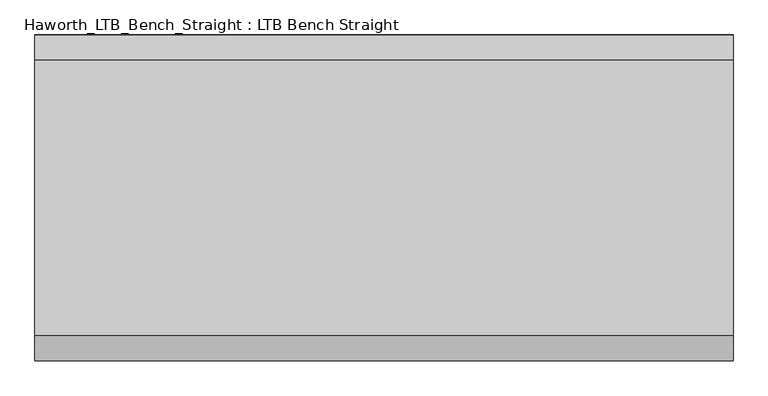
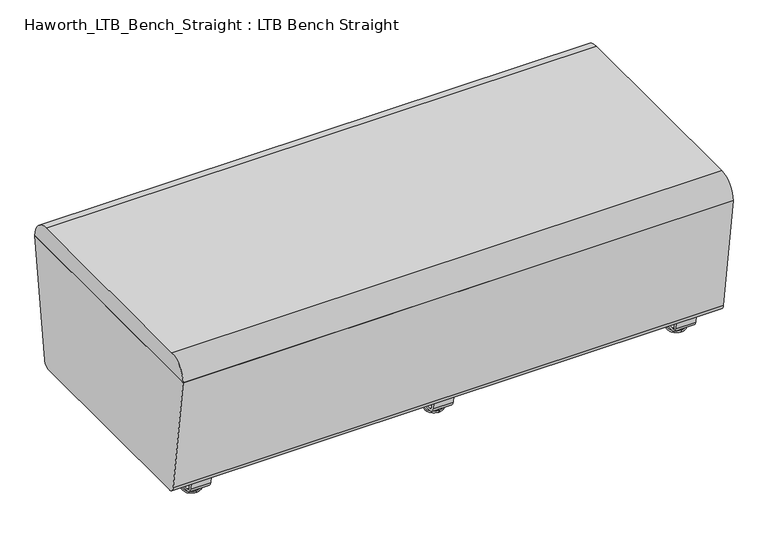
"""IFC4 building model written with IfcOpenShell, lengths in millimetres: furniture geometry, Haworth_LTB_Bench_Straight : LTB Bench Straight."""

from ifc_helpers import new_model, si_unit, point, frame, frame_2d, origin, place, context, project, spatial, polyline, circle_curve, ellipse_curve, trimmed, segment, composite_curve, outline, extrude, source, transform, mapped, element, save
from ifc_brep_helpers import plane_surface, cylinder_surface, revolved_surface, advanced_brep


def haworth_ltb_bench_straight_ltb_bench_straight_952019f1(model_context):
    return source(origin(), model_context, "Body", "SolidModel", [
        extrude(outline(composite_curve([segment(trimmed(circle_curve(frame_2d((264.0390314, 68.9999996)), 18.9999992), [point((282.8541239, 66.3557108))], [point((264.0390314, 50.0000004))], False, "CARTESIAN"), True, "CONTINUOUS"), segment(polyline([(264.0390314, 50.0000004), (-264.0390314, 50.0000004)]), True, "CONTINUOUS"), segment(trimmed(circle_curve(frame_2d((-264.0390314, 68.9999996)), 18.9999992), [point((-264.0390314, 50.0000004))], [point((-282.8541239, 66.3557108))], False, "CARTESIAN"), True, "CONTINUOUS"), segment(polyline([(-282.8541239, 66.3557108), (-326.1820603, 374.65), (326.1820603, 374.65), (282.8541239, 66.3557108)]), True, "CONTINUOUS")], self_intersect=False)), frame((-698.5, 0.0, 0.0), z_axis=(1.0, 0.0, 0.0), x_axis=(0.0, 1.0, 0.0)), (0.0, 0.0, 1.0), 1397.0),
        extrude(outline(composite_curve([segment(trimmed(circle_curve(frame_2d((276.2364582, 375.0527771)), 49.9472261), [point((276.2364583, 425.0000032))], [point((326.1820603, 374.65))], False, "CARTESIAN"), True, "CONTINUOUS"), segment(polyline([(326.1820603, 374.65), (-326.1820603, 374.65)]), True, "CONTINUOUS"), segment(trimmed(circle_curve(frame_2d((-276.2364582, 375.0527771)), 49.9472261), [point((-326.1820603, 374.65))], [point((-276.2364582, 425.0000032))], False, "CARTESIAN"), True, "CONTINUOUS"), segment(polyline([(-276.2364582, 425.0000032), (276.2364583, 425.0000032)]), True, "CONTINUOUS")], self_intersect=False)), frame((-698.5, 0.0, 0.0), z_axis=(1.0, 0.0, 0.0), x_axis=(0.0, 1.0, 0.0)), (0.0, 0.0, 1.0), 1397.0),
        advanced_brep(
        [(0.0, -211.0425052, 7.8133431), (0.0, -227.0355515, 7.8133431), (0.0, -223.8015284, 7.8133431), (0.0, -214.2765284, 7.8133431), (0.0, -197.1001513, 4.0775), (0.0, -240.9779054, 4.0775), (0.0, -197.5107026, 0.0), (0.0, -240.5673542, 0.0), (0.0, -219.0390284, 0.0), (0.0, -214.2765284, 50.0000004), (0.0, -223.8015284, 50.0000004), (0.0, -219.0390284, 50.0000004)],
        [
            (0, 1, circle_curve(frame((0.0, -219.0390284, 7.8133431), z_axis=(0.0, 0.0, 1.0), x_axis=(0.0, -1.0, 0.0)), 7.9965232)),
            (1, 2),
            (2, 3, circle_curve(frame((0.0, -219.0390284, 7.8133431), z_axis=(0.0, 0.0, -1.0), x_axis=(0.0, -1.0, 0.0)), 4.7625)),
            (3, 0),
            (1, 0, circle_curve(frame((0.0, -219.0390284, 7.8133431), z_axis=(0.0, 0.0, 1.0), x_axis=(0.0, -1.0, 0.0)), 7.9965232)),
            (3, 2, circle_curve(frame((0.0, -219.0390284, 7.8133431), z_axis=(0.0, 0.0, -1.0), x_axis=(0.0, -1.0, 0.0)), 4.7625)),
            (4, 5, circle_curve(frame((0.0, -219.0390284, 4.0775), z_axis=(0.0, 0.0, 1.0), x_axis=(0.0, -1.0, 0.0)), 21.9388771)),
            (5, 1),
            (0, 4),
            (5, 4, circle_curve(frame((0.0, -219.0390284, 4.0775), z_axis=(0.0, 0.0, 1.0), x_axis=(0.0, -1.0, 0.0)), 21.9388771)),
            (6, 7, circle_curve(frame((0.0, -219.0390284, 0.0), z_axis=(0.0, 0.0, 1.0), x_axis=(0.0, -1.0, 0.0)), 21.5283258)),
            (7, 5, circle_curve(frame((0.0, -240.4405822, 2.0721829), z_axis=(-1.0, 0.0, 0.0), x_axis=(0.0, 1.0, 0.0)), 2.0760571)),
            (4, 6, circle_curve(frame((0.0, -197.6374745, 2.0721829), z_axis=(-1.0, 0.0, 0.0), x_axis=(0.0, -1.0, 0.0)), 2.0760571)),
            (7, 6, circle_curve(frame((0.0, -219.0390284, 0.0), z_axis=(0.0, 0.0, 1.0), x_axis=(0.0, -1.0, 0.0)), 21.5283258)),
            (8, 7),
            (6, 8),
            (9, 10, circle_curve(frame((0.0, -219.0390284, 50.0000004), z_axis=(0.0, 0.0, 1.0), x_axis=(0.0, -1.0, 0.0)), 4.7625)),
            (10, 11),
            (11, 9),
            (10, 9, circle_curve(frame((0.0, -219.0390284, 50.0000004), z_axis=(0.0, 0.0, 1.0), x_axis=(0.0, -1.0, 0.0)), 4.7625)),
            (2, 10),
            (9, 3),
        ],
        [
            plane_surface(frame((0.0, -219.0390284, 7.8133431), z_axis=(0.0, 0.0, 1.0), x_axis=(0.0, -1.0, 0.0))),
            revolved_surface(polyline([(0.0, -227.0355515, 7.8133431), (0.0, -240.9779054, 4.0775)]), (0.0, -219.0390284, 0.0), (0.0, 0.0, -1.0)),
            revolved_surface(trimmed(ellipse_curve(frame((0.0, -240.4405822, 2.0721829), z_axis=(1.0, 0.0, 0.0), x_axis=(0.0, 1.0, 0.0)), 2.0760571, 2.0760571), [point((0.0, -240.9779054, 4.0775))], [point((0.0, -240.5673542, 0.0))], True, "CARTESIAN"), (0.0, -219.0390284, 0.0), (0.0, 0.0, -1.0)),
            plane_surface(frame((0.0, -219.0390284, 0.0), z_axis=(0.0, 0.0, -1.0), x_axis=(0.0, -1.0, 0.0))),
            plane_surface(frame((0.0, -219.0390284, 50.0000004), z_axis=(0.0, 0.0, 1.0), x_axis=(0.0, -1.0, 0.0))),
            cylinder_surface(frame((0.0, -219.0390284, 0.0), z_axis=(0.0, 0.0, -1.0), x_axis=(0.0, -1.0, 0.0)), 4.7625),
        ],
        [
            (0, [[1, 2, 3, 4]]),
            (0, [[5, -4, 6, -2]]),
            (1, [[7, 8, -1, 9]]),
            (1, [[10, -9, -5, -8]]),
            (2, [[11, 12, -7, 13]]),
            (2, [[14, -13, -10, -12]]),
            (3, [[15, -11, 16]]),
            (3, [[-16, -14, -15]]),
            (4, [[17, 18, 19]]),
            (4, [[20, -19, -18]]),
            (5, [[-3, 21, -17, 22]]),
            (5, [[-6, -22, -20, -21]]),
        ],
    ),
        advanced_brep(
        [(0.0, 214.2765284, 7.8133431), (0.0, 223.8015284, 7.8133431), (0.0, 227.0355515, 7.8133431), (0.0, 211.0425052, 7.8133431), (0.0, 240.9779054, 4.0775), (0.0, 197.1001513, 4.0775), (0.0, 240.5673542, 0.0), (0.0, 197.5107026, 0.0), (0.0, 219.0390284, 0.0), (0.0, 219.0390284, 50.0000004), (0.0, 223.8015284, 50.0000004), (0.0, 214.2765284, 50.0000004)],
        [
            (0, 1, circle_curve(frame((0.0, 219.0390284, 7.8133431), z_axis=(0.0, 0.0, -1.0), x_axis=(0.0, 1.0, 0.0)), 4.7625)),
            (1, 2),
            (2, 3, circle_curve(frame((0.0, 219.0390284, 7.8133431), z_axis=(0.0, 0.0, 1.0), x_axis=(0.0, 1.0, 0.0)), 7.9965232)),
            (3, 0),
            (1, 0, circle_curve(frame((0.0, 219.0390284, 7.8133431), z_axis=(0.0, 0.0, -1.0), x_axis=(0.0, 1.0, 0.0)), 4.7625)),
            (3, 2, circle_curve(frame((0.0, 219.0390284, 7.8133431), z_axis=(0.0, 0.0, 1.0), x_axis=(0.0, 1.0, 0.0)), 7.9965232)),
            (2, 4),
            (4, 5, circle_curve(frame((0.0, 219.0390284, 4.0775), z_axis=(0.0, 0.0, 1.0), x_axis=(0.0, 1.0, 0.0)), 21.9388771)),
            (5, 3),
            (5, 4, circle_curve(frame((0.0, 219.0390284, 4.0775), z_axis=(0.0, 0.0, 1.0), x_axis=(0.0, 1.0, 0.0)), 21.9388771)),
            (4, 6, circle_curve(frame((0.0, 240.4405822, 2.0721829), z_axis=(-1.0, 0.0, 0.0), x_axis=(0.0, -1.0, 0.0)), 2.0760571)),
            (6, 7, circle_curve(frame((0.0, 219.0390284, 0.0), z_axis=(0.0, 0.0, 1.0), x_axis=(0.0, 1.0, 0.0)), 21.5283258)),
            (7, 5, circle_curve(frame((0.0, 197.6374745, 2.0721829), z_axis=(-1.0, 0.0, 0.0), x_axis=(0.0, 1.0, 0.0)), 2.0760571)),
            (7, 6, circle_curve(frame((0.0, 219.0390284, 0.0), z_axis=(0.0, 0.0, 1.0), x_axis=(0.0, 1.0, 0.0)), 21.5283258)),
            (6, 8),
            (8, 7),
            (9, 10),
            (10, 11, circle_curve(frame((0.0, 219.0390284, 50.0000004), z_axis=(0.0, 0.0, 1.0), x_axis=(0.0, 1.0, 0.0)), 4.7625)),
            (11, 9),
            (11, 10, circle_curve(frame((0.0, 219.0390284, 50.0000004), z_axis=(0.0, 0.0, 1.0), x_axis=(0.0, 1.0, 0.0)), 4.7625)),
            (10, 1),
            (0, 11),
        ],
        [
            plane_surface(frame((0.0, 219.0390284, 7.8133431), z_axis=(0.0, 0.0, 1.0), x_axis=(0.0, 1.0, 0.0))),
            revolved_surface(polyline([(0.0, 240.9779054, 4.0775), (0.0, 227.0355515, 7.8133431)]), (0.0, 219.0390284, 0.0), (0.0, 0.0, 1.0)),
            revolved_surface(trimmed(ellipse_curve(frame((0.0, 240.4405822, 2.0721829), z_axis=(1.0, 0.0, 0.0), x_axis=(0.0, -1.0, 0.0)), 2.0760571, 2.0760571), [point((0.0, 240.5673542, 0.0))], [point((0.0, 240.9779054, 4.0775))], True, "CARTESIAN"), (0.0, 219.0390284, 0.0), (0.0, 0.0, 1.0)),
            plane_surface(frame((0.0, 219.0390284, 0.0), z_axis=(0.0, 0.0, -1.0), x_axis=(0.0, 1.0, 0.0))),
            plane_surface(frame((0.0, 219.0390284, 50.0000004), z_axis=(0.0, 0.0, 1.0), x_axis=(0.0, 1.0, 0.0))),
            cylinder_surface(frame((0.0, 219.0390284, 0.0), z_axis=(0.0, 0.0, 1.0), x_axis=(0.0, 1.0, 0.0)), 4.7625),
        ],
        [
            (0, [[1, 2, 3, 4]]),
            (0, [[5, -4, 6, -2]]),
            (1, [[-3, 7, 8, 9]]),
            (1, [[-6, -9, 10, -7]]),
            (2, [[-8, 11, 12, 13]]),
            (2, [[-10, -13, 14, -11]]),
            (3, [[-12, 15, 16]]),
            (3, [[-14, -16, -15]]),
            (4, [[17, 18, 19]]),
            (4, [[-19, 20, -17]]),
            (5, [[-18, 21, -1, 22]]),
            (5, [[-20, -22, -5, -21]]),
        ],
    ),
        extrude(outline(composite_curve([segment(polyline([(264.8158944, 62.9950557), (259.8853496, 27.9124042)]), True, "CONTINUOUS"), segment(trimmed(circle_curve(frame_2d((245.0313276, 30.0000007)), 15.000001), [point((259.8853496, 27.9124042))], [point((245.0313276, 14.9999997))], False, "CARTESIAN"), True, "CONTINUOUS"), segment(polyline([(245.0313276, 14.9999997), (-245.0313276, 14.9999997)]), True, "CONTINUOUS"), segment(trimmed(circle_curve(frame_2d((-245.0313276, 30.0000007)), 15.000001), [point((-245.0313276, 14.9999997))], [point((-259.8853496, 27.9124042))], False, "CARTESIAN"), True, "CONTINUOUS"), segment(polyline([(-259.8853496, 27.9124042), (-264.8158944, 62.9950557), (-259.1812615, 63.7869505), (-254.2507241, 28.7043023)]), True, "CONTINUOUS"), segment(trimmed(circle_curve(frame_2d((-245.0313262, 30.0000023)), 9.310002), [point((-254.2507241, 28.7043023))], [point((-245.0313262, 20.6900003))], True, "CARTESIAN"), True, "CONTINUOUS"), segment(polyline([(-245.0313262, 20.6900003), (245.0313262, 20.6900003)]), True, "CONTINUOUS"), segment(trimmed(circle_curve(frame_2d((245.0313262, 30.0000023)), 9.310002), [point((245.0313262, 20.6900003))], [point((254.2507241, 28.7043023))], True, "CARTESIAN"), True, "CONTINUOUS"), segment(polyline([(254.2507241, 28.7043023), (259.1812615, 63.7869505), (264.8158944, 62.9950557)]), True, "CONTINUOUS")], self_intersect=False)), frame((-25.4, 0.0, 0.0), z_axis=(1.0, 0.0, 0.0), x_axis=(0.0, 1.0, 0.0)), (0.0, 0.0, 1.0), 50.8),
        advanced_brep(
        [(616.0045358, -211.0425052, 7.8133431), (616.0045358, -227.0355515, 7.8133431), (616.0045358, -223.8015284, 7.8133431), (616.0045358, -214.2765284, 7.8133431), (616.0045358, -197.1001513, 4.0775), (616.0045358, -240.9779054, 4.0775), (616.0045358, -197.5107026, 0.0), (616.0045358, -240.5673542, 0.0), (616.0045358, -219.0390284, 0.0), (616.0045358, -214.2765284, 50.0000004), (616.0045358, -223.8015284, 50.0000004), (616.0045358, -219.0390284, 50.0000004)],
        [
            (0, 1, circle_curve(frame((616.0045358, -219.0390284, 7.8133431), z_axis=(0.0, 0.0, 1.0), x_axis=(0.0, -1.0, 0.0)), 7.9965232)),
            (1, 2),
            (2, 3, circle_curve(frame((616.0045358, -219.0390284, 7.8133431), z_axis=(0.0, 0.0, -1.0), x_axis=(0.0, -1.0, 0.0)), 4.7625)),
            (3, 0),
            (1, 0, circle_curve(frame((616.0045358, -219.0390284, 7.8133431), z_axis=(0.0, 0.0, 1.0), x_axis=(0.0, -1.0, 0.0)), 7.9965232)),
            (3, 2, circle_curve(frame((616.0045358, -219.0390284, 7.8133431), z_axis=(0.0, 0.0, -1.0), x_axis=(0.0, -1.0, 0.0)), 4.7625)),
            (4, 5, circle_curve(frame((616.0045358, -219.0390284, 4.0775), z_axis=(0.0, 0.0, 1.0), x_axis=(0.0, -1.0, 0.0)), 21.9388771)),
            (5, 1),
            (0, 4),
            (5, 4, circle_curve(frame((616.0045358, -219.0390284, 4.0775), z_axis=(0.0, 0.0, 1.0), x_axis=(0.0, -1.0, 0.0)), 21.9388771)),
            (6, 7, circle_curve(frame((616.0045358, -219.0390284, 0.0), z_axis=(0.0, 0.0, 1.0), x_axis=(0.0, -1.0, 0.0)), 21.5283258)),
            (7, 5, circle_curve(frame((616.0045358, -240.4405822, 2.0721829), z_axis=(-1.0, 0.0, 0.0), x_axis=(0.0, 1.0, 0.0)), 2.0760571)),
            (4, 6, circle_curve(frame((616.0045358, -197.6374745, 2.0721829), z_axis=(-1.0, 0.0, 0.0), x_axis=(0.0, -1.0, 0.0)), 2.0760571)),
            (7, 6, circle_curve(frame((616.0045358, -219.0390284, 0.0), z_axis=(0.0, 0.0, 1.0), x_axis=(0.0, -1.0, 0.0)), 21.5283258)),
            (8, 7),
            (6, 8),
            (9, 10, circle_curve(frame((616.0045358, -219.0390284, 50.0000004), z_axis=(0.0, 0.0, 1.0), x_axis=(0.0, -1.0, 0.0)), 4.7625)),
            (10, 11),
            (11, 9),
            (10, 9, circle_curve(frame((616.0045358, -219.0390284, 50.0000004), z_axis=(0.0, 0.0, 1.0), x_axis=(0.0, -1.0, 0.0)), 4.7625)),
            (2, 10),
            (9, 3),
        ],
        [
            plane_surface(frame((616.0045358, -219.0390284, 7.8133431), z_axis=(0.0, 0.0, 1.0), x_axis=(0.0, -1.0, 0.0))),
            revolved_surface(polyline([(616.0045358, -227.0355515, 7.8133431), (616.0045358, -240.9779054, 4.0775)]), (616.0045358, -219.0390284, 0.0), (0.0, 0.0, -1.0)),
            revolved_surface(trimmed(ellipse_curve(frame((616.0045358, -240.4405822, 2.0721829), z_axis=(1.0, 0.0, 0.0), x_axis=(0.0, 1.0, 0.0)), 2.0760571, 2.0760571), [point((616.0045358, -240.9779054, 4.0775))], [point((616.0045358, -240.5673542, 0.0))], True, "CARTESIAN"), (616.0045358, -219.0390284, 0.0), (0.0, 0.0, -1.0)),
            plane_surface(frame((616.0045358, -219.0390284, 0.0), z_axis=(0.0, 0.0, -1.0), x_axis=(0.0, -1.0, 0.0))),
            plane_surface(frame((616.0045358, -219.0390284, 50.0000004), z_axis=(0.0, 0.0, 1.0), x_axis=(0.0, -1.0, 0.0))),
            cylinder_surface(frame((616.0045358, -219.0390284, 0.0), z_axis=(0.0, 0.0, -1.0), x_axis=(0.0, -1.0, 0.0)), 4.7625),
        ],
        [
            (0, [[1, 2, 3, 4]]),
            (0, [[5, -4, 6, -2]]),
            (1, [[7, 8, -1, 9]]),
            (1, [[10, -9, -5, -8]]),
            (2, [[11, 12, -7, 13]]),
            (2, [[14, -13, -10, -12]]),
            (3, [[15, -11, 16]]),
            (3, [[-16, -14, -15]]),
            (4, [[17, 18, 19]]),
            (4, [[20, -19, -18]]),
            (5, [[-3, 21, -17, 22]]),
            (5, [[-6, -22, -20, -21]]),
        ],
    ),
        advanced_brep(
        [(616.0045358, 214.2765284, 7.8133431), (616.0045358, 223.8015284, 7.8133431), (616.0045358, 227.0355515, 7.8133431), (616.0045358, 211.0425052, 7.8133431), (616.0045358, 240.9779054, 4.0775), (616.0045358, 197.1001513, 4.0775), (616.0045358, 240.5673542, 0.0), (616.0045358, 197.5107026, 0.0), (616.0045358, 219.0390284, 0.0), (616.0045358, 219.0390284, 50.0000004), (616.0045358, 223.8015284, 50.0000004), (616.0045358, 214.2765284, 50.0000004)],
        [
            (0, 1, circle_curve(frame((616.0045358, 219.0390284, 7.8133431), z_axis=(0.0, 0.0, -1.0), x_axis=(0.0, 1.0, 0.0)), 4.7625)),
            (1, 2),
            (2, 3, circle_curve(frame((616.0045358, 219.0390284, 7.8133431), z_axis=(0.0, 0.0, 1.0), x_axis=(0.0, 1.0, 0.0)), 7.9965232)),
            (3, 0),
            (1, 0, circle_curve(frame((616.0045358, 219.0390284, 7.8133431), z_axis=(0.0, 0.0, -1.0), x_axis=(0.0, 1.0, 0.0)), 4.7625)),
            (3, 2, circle_curve(frame((616.0045358, 219.0390284, 7.8133431), z_axis=(0.0, 0.0, 1.0), x_axis=(0.0, 1.0, 0.0)), 7.9965232)),
            (2, 4),
            (4, 5, circle_curve(frame((616.0045358, 219.0390284, 4.0775), z_axis=(0.0, 0.0, 1.0), x_axis=(0.0, 1.0, 0.0)), 21.9388771)),
            (5, 3),
            (5, 4, circle_curve(frame((616.0045358, 219.0390284, 4.0775), z_axis=(0.0, 0.0, 1.0), x_axis=(0.0, 1.0, 0.0)), 21.9388771)),
            (4, 6, circle_curve(frame((616.0045358, 240.4405822, 2.0721829), z_axis=(-1.0, 0.0, 0.0), x_axis=(0.0, -1.0, 0.0)), 2.0760571)),
            (6, 7, circle_curve(frame((616.0045358, 219.0390284, 0.0), z_axis=(0.0, 0.0, 1.0), x_axis=(0.0, 1.0, 0.0)), 21.5283258)),
            (7, 5, circle_curve(frame((616.0045358, 197.6374745, 2.0721829), z_axis=(-1.0, 0.0, 0.0), x_axis=(0.0, 1.0, 0.0)), 2.0760571)),
            (7, 6, circle_curve(frame((616.0045358, 219.0390284, 0.0), z_axis=(0.0, 0.0, 1.0), x_axis=(0.0, 1.0, 0.0)), 21.5283258)),
            (6, 8),
            (8, 7),
            (9, 10),
            (10, 11, circle_curve(frame((616.0045358, 219.0390284, 50.0000004), z_axis=(0.0, 0.0, 1.0), x_axis=(0.0, 1.0, 0.0)), 4.7625)),
            (11, 9),
            (11, 10, circle_curve(frame((616.0045358, 219.0390284, 50.0000004), z_axis=(0.0, 0.0, 1.0), x_axis=(0.0, 1.0, 0.0)), 4.7625)),
            (10, 1),
            (0, 11),
        ],
        [
            plane_surface(frame((616.0045358, 219.0390284, 7.8133431), z_axis=(0.0, 0.0, 1.0), x_axis=(0.0, 1.0, 0.0))),
            revolved_surface(polyline([(616.0045358, 240.9779054, 4.0775), (616.0045358, 227.0355515, 7.8133431)]), (616.0045358, 219.0390284, 0.0), (0.0, 0.0, 1.0)),
            revolved_surface(trimmed(ellipse_curve(frame((616.0045358, 240.4405822, 2.0721829), z_axis=(1.0, 0.0, 0.0), x_axis=(0.0, -1.0, 0.0)), 2.0760571, 2.0760571), [point((616.0045358, 240.5673542, 0.0))], [point((616.0045358, 240.9779054, 4.0775))], True, "CARTESIAN"), (616.0045358, 219.0390284, 0.0), (0.0, 0.0, 1.0)),
            plane_surface(frame((616.0045358, 219.0390284, 0.0), z_axis=(0.0, 0.0, -1.0), x_axis=(0.0, 1.0, 0.0))),
            plane_surface(frame((616.0045358, 219.0390284, 50.0000004), z_axis=(0.0, 0.0, 1.0), x_axis=(0.0, 1.0, 0.0))),
            cylinder_surface(frame((616.0045358, 219.0390284, 0.0), z_axis=(0.0, 0.0, 1.0), x_axis=(0.0, 1.0, 0.0)), 4.7625),
        ],
        [
            (0, [[1, 2, 3, 4]]),
            (0, [[5, -4, 6, -2]]),
            (1, [[-3, 7, 8, 9]]),
            (1, [[-6, -9, 10, -7]]),
            (2, [[-8, 11, 12, 13]]),
            (2, [[-10, -13, 14, -11]]),
            (3, [[-12, 15, 16]]),
            (3, [[-14, -16, -15]]),
            (4, [[17, 18, 19]]),
            (4, [[-19, 20, -17]]),
            (5, [[-18, 21, -1, 22]]),
            (5, [[-20, -22, -5, -21]]),
        ],
    ),
        extrude(outline(composite_curve([segment(polyline([(264.8158944, 62.9950557), (259.8853496, 27.9124042)]), True, "CONTINUOUS"), segment(trimmed(circle_curve(frame_2d((245.0313276, 30.0000007)), 15.000001), [point((259.8853496, 27.9124042))], [point((245.0313276, 14.9999997))], False, "CARTESIAN"), True, "CONTINUOUS"), segment(polyline([(245.0313276, 14.9999997), (-245.0313276, 14.9999997)]), True, "CONTINUOUS"), segment(trimmed(circle_curve(frame_2d((-245.0313276, 30.0000007)), 15.000001), [point((-245.0313276, 14.9999997))], [point((-259.8853496, 27.9124042))], False, "CARTESIAN"), True, "CONTINUOUS"), segment(polyline([(-259.8853496, 27.9124042), (-264.8158944, 62.9950557), (-259.1812615, 63.7869505), (-254.2507241, 28.7043023)]), True, "CONTINUOUS"), segment(trimmed(circle_curve(frame_2d((-245.0313262, 30.0000023)), 9.310002), [point((-254.2507241, 28.7043023))], [point((-245.0313262, 20.6900003))], True, "CARTESIAN"), True, "CONTINUOUS"), segment(polyline([(-245.0313262, 20.6900003), (245.0313262, 20.6900003)]), True, "CONTINUOUS"), segment(trimmed(circle_curve(frame_2d((245.0313262, 30.0000023)), 9.310002), [point((245.0313262, 20.6900003))], [point((254.2507241, 28.7043023))], True, "CARTESIAN"), True, "CONTINUOUS"), segment(polyline([(254.2507241, 28.7043023), (259.1812615, 63.7869505), (264.8158944, 62.9950557)]), True, "CONTINUOUS")], self_intersect=False)), frame((590.6045358, 0.0, 0.0), z_axis=(1.0, 0.0, 0.0), x_axis=(0.0, 1.0, 0.0)), (0.0, 0.0, 1.0), 50.8),
        advanced_brep(
        [(-616.0045358, -214.2765284, 7.8133431), (-616.0045358, -223.8015284, 7.8133431), (-616.0045358, -227.0355515, 7.8133431), (-616.0045358, -211.0425052, 7.8133431), (-616.0045358, -240.9779054, 4.0775), (-616.0045358, -197.1001513, 4.0775), (-616.0045358, -240.5673542, 0.0), (-616.0045358, -197.5107026, 0.0), (-616.0045358, -219.0390284, 0.0), (-616.0045358, -219.0390284, 50.0000004), (-616.0045358, -223.8015284, 50.0000004), (-616.0045358, -214.2765284, 50.0000004)],
        [
            (0, 1, circle_curve(frame((-616.0045358, -219.0390284, 7.8133431), z_axis=(0.0, 0.0, -1.0), x_axis=(0.0, -1.0, 0.0)), 4.7625)),
            (1, 2),
            (2, 3, circle_curve(frame((-616.0045358, -219.0390284, 7.8133431), z_axis=(0.0, 0.0, 1.0), x_axis=(0.0, -1.0, 0.0)), 7.9965232)),
            (3, 0),
            (1, 0, circle_curve(frame((-616.0045358, -219.0390284, 7.8133431), z_axis=(0.0, 0.0, -1.0), x_axis=(0.0, -1.0, 0.0)), 4.7625)),
            (3, 2, circle_curve(frame((-616.0045358, -219.0390284, 7.8133431), z_axis=(0.0, 0.0, 1.0), x_axis=(0.0, -1.0, 0.0)), 7.9965232)),
            (2, 4),
            (4, 5, circle_curve(frame((-616.0045358, -219.0390284, 4.0775), z_axis=(0.0, 0.0, 1.0), x_axis=(0.0, -1.0, 0.0)), 21.9388771)),
            (5, 3),
            (5, 4, circle_curve(frame((-616.0045358, -219.0390284, 4.0775), z_axis=(0.0, 0.0, 1.0), x_axis=(0.0, -1.0, 0.0)), 21.9388771)),
            (4, 6, circle_curve(frame((-616.0045358, -240.4405822, 2.0721829), z_axis=(1.0, 0.0, 0.0), x_axis=(0.0, 1.0, 0.0)), 2.0760571)),
            (6, 7, circle_curve(frame((-616.0045358, -219.0390284, 0.0), z_axis=(0.0, 0.0, 1.0), x_axis=(0.0, -1.0, 0.0)), 21.5283258)),
            (7, 5, circle_curve(frame((-616.0045358, -197.6374745, 2.0721829), z_axis=(1.0, 0.0, 0.0), x_axis=(0.0, -1.0, 0.0)), 2.0760571)),
            (7, 6, circle_curve(frame((-616.0045358, -219.0390284, 0.0), z_axis=(0.0, 0.0, 1.0), x_axis=(0.0, -1.0, 0.0)), 21.5283258)),
            (6, 8),
            (8, 7),
            (9, 10),
            (10, 11, circle_curve(frame((-616.0045358, -219.0390284, 50.0000004), z_axis=(0.0, 0.0, 1.0), x_axis=(0.0, -1.0, 0.0)), 4.7625)),
            (11, 9),
            (11, 10, circle_curve(frame((-616.0045358, -219.0390284, 50.0000004), z_axis=(0.0, 0.0, 1.0), x_axis=(0.0, -1.0, 0.0)), 4.7625)),
            (10, 1),
            (0, 11),
        ],
        [
            plane_surface(frame((-616.0045358, -219.0390284, 7.8133431), z_axis=(0.0, 0.0, 1.0), x_axis=(0.0, -1.0, 0.0))),
            revolved_surface(polyline([(-616.0045358, -240.9779054, 4.0775), (-616.0045358, -227.0355515, 7.8133431)]), (-616.0045358, -219.0390284, 0.0), (0.0, 0.0, 1.0)),
            revolved_surface(trimmed(ellipse_curve(frame((-616.0045358, -240.4405822, 2.0721829), z_axis=(-1.0, 0.0, 0.0), x_axis=(0.0, 1.0, 0.0)), 2.0760571, 2.0760571), [point((-616.0045358, -240.5673542, 0.0))], [point((-616.0045358, -240.9779054, 4.0775))], True, "CARTESIAN"), (-616.0045358, -219.0390284, 0.0), (0.0, 0.0, 1.0)),
            plane_surface(frame((-616.0045358, -219.0390284, 0.0), z_axis=(0.0, 0.0, -1.0), x_axis=(0.0, -1.0, 0.0))),
            plane_surface(frame((-616.0045358, -219.0390284, 50.0000004), z_axis=(0.0, 0.0, 1.0), x_axis=(0.0, -1.0, 0.0))),
            cylinder_surface(frame((-616.0045358, -219.0390284, 0.0), z_axis=(0.0, 0.0, 1.0), x_axis=(0.0, -1.0, 0.0)), 4.7625),
        ],
        [
            (0, [[1, 2, 3, 4]]),
            (0, [[5, -4, 6, -2]]),
            (1, [[-3, 7, 8, 9]]),
            (1, [[-6, -9, 10, -7]]),
            (2, [[-8, 11, 12, 13]]),
            (2, [[-10, -13, 14, -11]]),
            (3, [[-12, 15, 16]]),
            (3, [[-14, -16, -15]]),
            (4, [[17, 18, 19]]),
            (4, [[-19, 20, -17]]),
            (5, [[-18, 21, -1, 22]]),
            (5, [[-20, -22, -5, -21]]),
        ],
    ),
        advanced_brep(
        [(-616.0045358, 211.0425052, 7.8133431), (-616.0045358, 227.0355515, 7.8133431), (-616.0045358, 223.8015284, 7.8133431), (-616.0045358, 214.2765284, 7.8133431), (-616.0045358, 197.1001513, 4.0775), (-616.0045358, 240.9779054, 4.0775), (-616.0045358, 197.5107026, 0.0), (-616.0045358, 240.5673542, 0.0), (-616.0045358, 219.0390284, 0.0), (-616.0045358, 214.2765284, 50.0000004), (-616.0045358, 223.8015284, 50.0000004), (-616.0045358, 219.0390284, 50.0000004)],
        [
            (0, 1, circle_curve(frame((-616.0045358, 219.0390284, 7.8133431), z_axis=(0.0, 0.0, 1.0), x_axis=(0.0, 1.0, 0.0)), 7.9965232)),
            (1, 2),
            (2, 3, circle_curve(frame((-616.0045358, 219.0390284, 7.8133431), z_axis=(0.0, 0.0, -1.0), x_axis=(0.0, 1.0, 0.0)), 4.7625)),
            (3, 0),
            (1, 0, circle_curve(frame((-616.0045358, 219.0390284, 7.8133431), z_axis=(0.0, 0.0, 1.0), x_axis=(0.0, 1.0, 0.0)), 7.9965232)),
            (3, 2, circle_curve(frame((-616.0045358, 219.0390284, 7.8133431), z_axis=(0.0, 0.0, -1.0), x_axis=(0.0, 1.0, 0.0)), 4.7625)),
            (4, 5, circle_curve(frame((-616.0045358, 219.0390284, 4.0775), z_axis=(0.0, 0.0, 1.0), x_axis=(0.0, 1.0, 0.0)), 21.9388771)),
            (5, 1),
            (0, 4),
            (5, 4, circle_curve(frame((-616.0045358, 219.0390284, 4.0775), z_axis=(0.0, 0.0, 1.0), x_axis=(0.0, 1.0, 0.0)), 21.9388771)),
            (6, 7, circle_curve(frame((-616.0045358, 219.0390284, 0.0), z_axis=(0.0, 0.0, 1.0), x_axis=(0.0, 1.0, 0.0)), 21.5283258)),
            (7, 5, circle_curve(frame((-616.0045358, 240.4405822, 2.0721829), z_axis=(1.0, 0.0, 0.0), x_axis=(0.0, -1.0, 0.0)), 2.0760571)),
            (4, 6, circle_curve(frame((-616.0045358, 197.6374745, 2.0721829), z_axis=(1.0, 0.0, 0.0), x_axis=(0.0, 1.0, 0.0)), 2.0760571)),
            (7, 6, circle_curve(frame((-616.0045358, 219.0390284, 0.0), z_axis=(0.0, 0.0, 1.0), x_axis=(0.0, 1.0, 0.0)), 21.5283258)),
            (8, 7),
            (6, 8),
            (9, 10, circle_curve(frame((-616.0045358, 219.0390284, 50.0000004), z_axis=(0.0, 0.0, 1.0), x_axis=(0.0, 1.0, 0.0)), 4.7625)),
            (10, 11),
            (11, 9),
            (10, 9, circle_curve(frame((-616.0045358, 219.0390284, 50.0000004), z_axis=(0.0, 0.0, 1.0), x_axis=(0.0, 1.0, 0.0)), 4.7625)),
            (2, 10),
            (9, 3),
        ],
        [
            plane_surface(frame((-616.0045358, 219.0390284, 7.8133431), z_axis=(0.0, 0.0, 1.0), x_axis=(0.0, 1.0, 0.0))),
            revolved_surface(polyline([(-616.0045358, 227.0355515, 7.8133431), (-616.0045358, 240.9779054, 4.0775)]), (-616.0045358, 219.0390284, 0.0), (0.0, 0.0, -1.0)),
            revolved_surface(trimmed(ellipse_curve(frame((-616.0045358, 240.4405822, 2.0721829), z_axis=(-1.0, 0.0, 0.0), x_axis=(0.0, -1.0, 0.0)), 2.0760571, 2.0760571), [point((-616.0045358, 240.9779054, 4.0775))], [point((-616.0045358, 240.5673542, 0.0))], True, "CARTESIAN"), (-616.0045358, 219.0390284, 0.0), (0.0, 0.0, -1.0)),
            plane_surface(frame((-616.0045358, 219.0390284, 0.0), z_axis=(0.0, 0.0, -1.0), x_axis=(0.0, 1.0, 0.0))),
            plane_surface(frame((-616.0045358, 219.0390284, 50.0000004), z_axis=(0.0, 0.0, 1.0), x_axis=(0.0, 1.0, 0.0))),
            cylinder_surface(frame((-616.0045358, 219.0390284, 0.0), z_axis=(0.0, 0.0, -1.0), x_axis=(0.0, 1.0, 0.0)), 4.7625),
        ],
        [
            (0, [[1, 2, 3, 4]]),
            (0, [[5, -4, 6, -2]]),
            (1, [[7, 8, -1, 9]]),
            (1, [[10, -9, -5, -8]]),
            (2, [[11, 12, -7, 13]]),
            (2, [[14, -13, -10, -12]]),
            (3, [[15, -11, 16]]),
            (3, [[-16, -14, -15]]),
            (4, [[17, 18, 19]]),
            (4, [[20, -19, -18]]),
            (5, [[-3, 21, -17, 22]]),
            (5, [[-6, -22, -20, -21]]),
        ],
    ),
        extrude(outline(composite_curve([segment(polyline([(264.8158944, 62.9950557), (259.8853496, 27.9124042)]), True, "CONTINUOUS"), segment(trimmed(circle_curve(frame_2d((245.0313276, 30.0000007)), 15.000001), [point((259.8853496, 27.9124042))], [point((245.0313276, 14.9999997))], False, "CARTESIAN"), True, "CONTINUOUS"), segment(polyline([(245.0313276, 14.9999997), (-245.0313276, 14.9999997)]), True, "CONTINUOUS"), segment(trimmed(circle_curve(frame_2d((-245.0313276, 30.0000007)), 15.000001), [point((-245.0313276, 14.9999997))], [point((-259.8853496, 27.9124042))], False, "CARTESIAN"), True, "CONTINUOUS"), segment(polyline([(-259.8853496, 27.9124042), (-264.8158944, 62.9950557), (-259.1812615, 63.7869505), (-254.2507241, 28.7043023)]), True, "CONTINUOUS"), segment(trimmed(circle_curve(frame_2d((-245.0313262, 30.0000023)), 9.310002), [point((-254.2507241, 28.7043023))], [point((-245.0313262, 20.6900003))], True, "CARTESIAN"), True, "CONTINUOUS"), segment(polyline([(-245.0313262, 20.6900003), (245.0313262, 20.6900003)]), True, "CONTINUOUS"), segment(trimmed(circle_curve(frame_2d((245.0313262, 30.0000023)), 9.310002), [point((245.0313262, 20.6900003))], [point((254.2507241, 28.7043023))], True, "CARTESIAN"), True, "CONTINUOUS"), segment(polyline([(254.2507241, 28.7043023), (259.1812615, 63.7869505), (264.8158944, 62.9950557)]), True, "CONTINUOUS")], self_intersect=False)), frame((-641.4045358, 0.0, 0.0), z_axis=(1.0, 0.0, 0.0), x_axis=(0.0, 1.0, 0.0)), (0.0, 0.0, 1.0), 50.8),
    ])


if __name__ == "__main__":
    model = new_model("IFC4")
    model_context = context("Model", 3, world=origin())
    ifc_project = project(units=[si_unit("LENGTHUNIT", "METRE", prefix="MILLI")], contexts=[model_context])
    site = spatial("IfcSite", under=ifc_project)
    building = spatial("IfcBuilding", under=site)
    placement = place(None, origin())
    haworth_ltb_bench_straight_ltb_bench_straight_shape = haworth_ltb_bench_straight_ltb_bench_straight_952019f1(model_context)
    element("IfcFurniture", 1, ObjectType="Haworth_LTB_Bench_Straight : LTB Bench Straight", at=placement, inside=building, context=model_context, shape_type="MappedRepresentation", body=[
        mapped(haworth_ltb_bench_straight_ltb_bench_straight_shape, transform((0.0, 0.0, 0.0), x_axis=(1.0, 0.0, 0.0), y_axis=(0.0, 1.0, 0.0), z_axis=(0.0, 0.0, 1.0))),
    ])
    save(model, "model.ifc")
